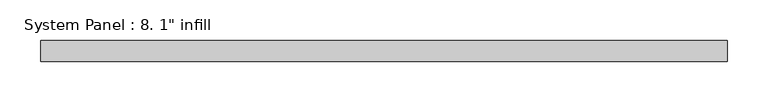
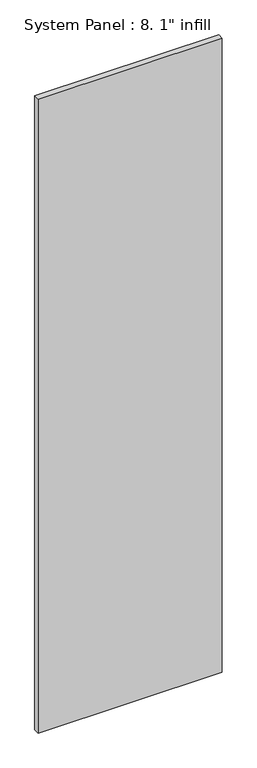
"""IFC4 building model written with IfcOpenShell, lengths in millimetres: plate geometry."""

from ifc_helpers import new_model, si_unit, origin, origin_with_axes, place, context, project, spatial, polyline, outline, extrude, source, transform, mapped, element, save


def plate_6a9fefa8(model_context):
    return source(origin(), model_context, "Body", "SweptSolid", [
        extrude(outline(polyline([(419.1, 0.0), (-419.1, 0.0), (-419.1, 25.4), (419.1, 25.4), (419.1, 0.0)])), origin_with_axes(), (0.0, 0.0, 1.0), 3048.0),
    ])


if __name__ == "__main__":
    model = new_model("IFC4")
    model_context = context("Model", 3, world=origin())
    ifc_project = project(units=[si_unit("LENGTHUNIT", "METRE", prefix="MILLI")], contexts=[model_context])
    site = spatial("IfcSite", under=ifc_project)
    building = spatial("IfcBuilding", under=site)
    placement = place(None, origin())
    plate_shape = plate_6a9fefa8(model_context)
    element("IfcPlate", 1, ObjectType="System Panel : 8. 1\" infill", at=placement, inside=building, context=model_context, shape_type="MappedRepresentation", body=[
        mapped(plate_shape, transform((0.0, 0.0, 0.0), x_axis=(1.0, 0.0, 0.0), y_axis=(0.0, 1.0, 0.0), z_axis=(0.0, 0.0, 1.0))),
    ])
    save(model, "model.ifc")
